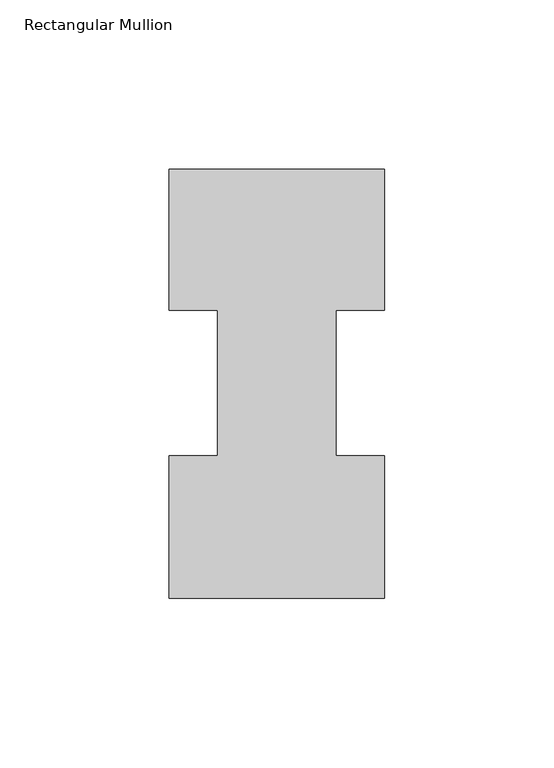
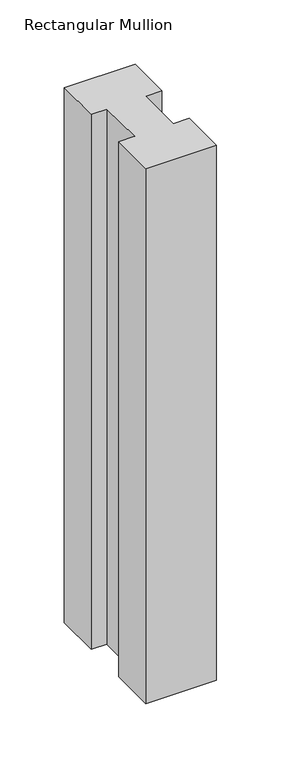
"""IFC4 building model written with IfcOpenShell, lengths in millimetres: member geometry, Rectangular Mullion."""

from ifc_helpers import new_model, si_unit, frame, origin, place, context, project, spatial, polyline, outline, extrude, source, transform, mapped, element, save


def rectangular_mullion_60f361bd(model_context):
    return source(origin(), model_context, "Body", "SweptSolid", [
        extrude(outline(polyline([(0.0, 133.3825437), (0.0, 91.7773437), (-14.2748, 91.7773437), (-14.2748, 48.9275437), (0.0, 48.9275437), (0.0, 6.8905437), (-63.5, 6.8905437), (-63.5, 48.9275437), (-49.2125, 48.9275437), (-49.2125, 91.7773437), (-63.5, 91.7773437), (-63.5, 133.3825437), (0.0, 133.3825437)])), frame((0.0, 0.0, -507.9976187), z_axis=(0.0, 0.0, 1.0), x_axis=(1.0, 0.0, 0.0)), (0.0, 0.0, 1.0), 507.9976187),
    ])


if __name__ == "__main__":
    model = new_model("IFC4")
    model_context = context("Model", 3, world=origin())
    ifc_project = project(units=[si_unit("LENGTHUNIT", "METRE", prefix="MILLI")], contexts=[model_context])
    site = spatial("IfcSite", under=ifc_project)
    building = spatial("IfcBuilding", under=site)
    placement = place(None, origin())
    rectangular_mullion_shape = rectangular_mullion_60f361bd(model_context)
    element("IfcMember", 1, ObjectType="Rectangular Mullion", at=placement, inside=building, context=model_context, shape_type="MappedRepresentation", body=[
        mapped(rectangular_mullion_shape, transform((0.0, 0.0, 0.0), x_axis=(1.0, 0.0, 0.0), y_axis=(0.0, 1.0, 0.0), z_axis=(0.0, 0.0, 1.0))),
    ])
    save(model, "model.ifc")
